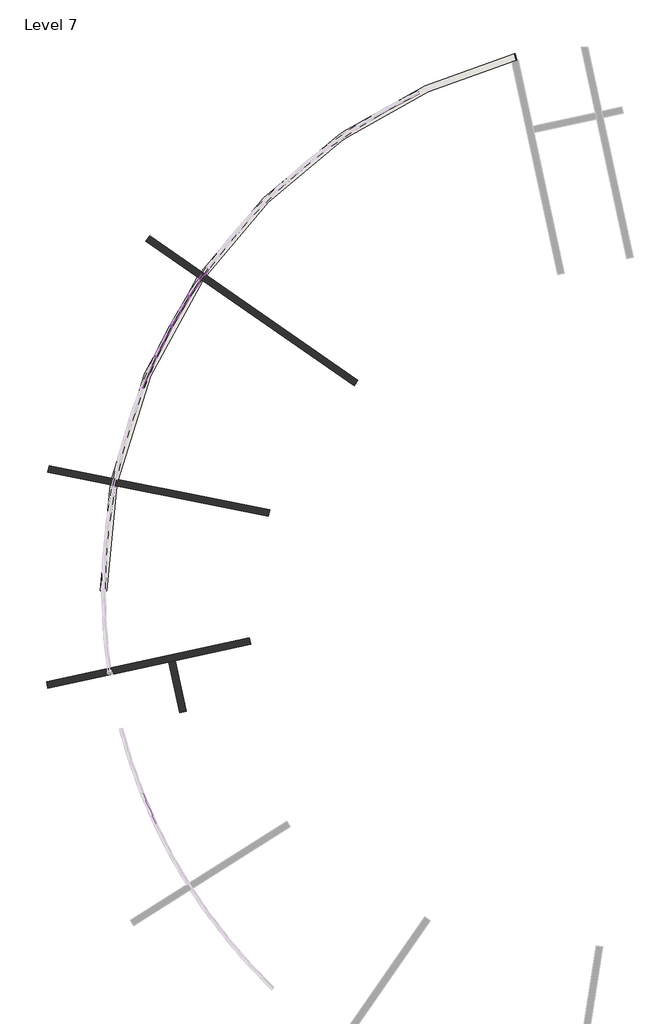
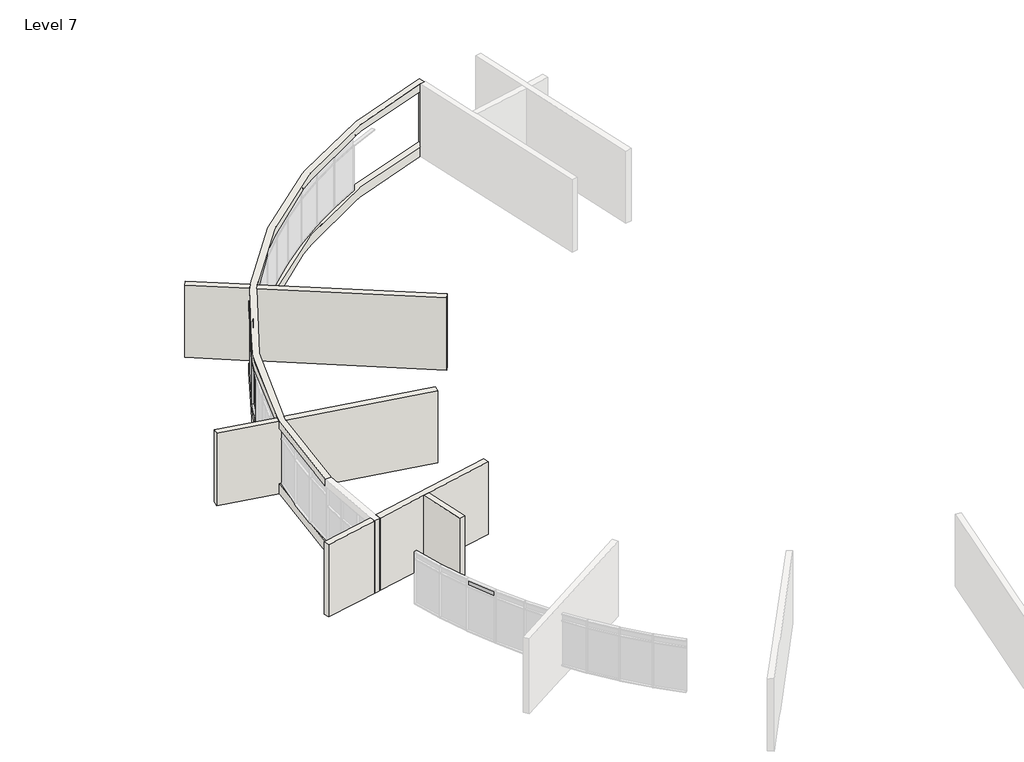
# One storey, part 4 of 10: 15 members, 9 plates, 5 walls.
"""IFC4 building model written with IfcOpenShell, lengths in millimetres."""

import ifcopenshell
import ifcopenshell.guid

model = None  # the IFC model being written
_history = None  # IfcOwnerHistory: only IFC2X3 demands one
_inside = {}  # id of a spatial element -> (the spatial element, [elements in it])
_under = {}  # id of a project, library or spatial element -> (it, [spatial elements below it])
_declared = {}  # id of a project -> (the project, [libraries it declares])
_typed = {}  # id of a type object -> (the type object, [elements of that type])
_made_of = {}  # id of a material, layer set ... -> (it, [elements and type objects made of it])


def new_model(schema):
    """Start an empty IFC model of exactly this schema.

    Asked for "IFC4X3", IfcOpenShell would pick the latest addendum, in which some entities
    have other attributes; the version numbers below select the first issue.
    IFC2X3 requires an IfcOwnerHistory on every rooted entity: one is made here for all.
    """
    global model, _history
    if schema == "IFC4X3":
        model = ifcopenshell.file(schema_version=(4, 3, 0, 0))
    else:
        model = ifcopenshell.file(schema=schema)
    _inside.clear()
    _under.clear()
    _declared.clear()
    _typed.clear()
    _made_of.clear()
    _history = None
    if model.schema == "IFC2X3":
        org = make("IfcOrganization", Name="unknown")
        user = make(
            "IfcPersonAndOrganization",
            ThePerson=make("IfcPerson", FamilyName="unknown"),
            TheOrganization=org,
        )
        app = make(
            "IfcApplication",
            ApplicationDeveloper=org,
            Version="unknown",
            ApplicationFullName="unknown",
            ApplicationIdentifier="unknown",
        )
        _history = make(
            "IfcOwnerHistory",
            OwningUser=user,
            OwningApplication=app,
            ChangeAction="ADDED",
            CreationDate=0,
        )
    return model


def make(cls, **values):
    """One entity of the class cls with the attributes given. An attribute that is None is left unset."""
    return model.create_entity(
        cls, **{name: value for name, value in values.items() if value is not None}
    )


def rooted(cls, **values):
    """An entity with a GlobalId (a new one), such as an element, a storey or a relation."""
    return make(cls, GlobalId=ifcopenshell.guid.new(), OwnerHistory=_history, **values)


def si_unit(unit_type, name, prefix=None):
    """IfcSIUnit, for example si_unit("LENGTHUNIT", "METRE", prefix="MILLI")."""
    return make("IfcSIUnit", UnitType=unit_type, Prefix=prefix, Name=name)


def assignment(units):
    """IfcUnitAssignment: the units of a project."""
    return None if units is None else make("IfcUnitAssignment", Units=units)


def point(xyz):
    """IfcCartesianPoint."""
    return None if xyz is None else make("IfcCartesianPoint", Coordinates=xyz)


def direction(xyz):
    """IfcDirection."""
    return None if xyz is None else make("IfcDirection", DirectionRatios=xyz)


def frame(location, z_axis=None, x_axis=None):
    """IfcAxis2Placement3D, a coordinate frame: its origin and axes. An axis left out is left unset."""
    return make(
        "IfcAxis2Placement3D",
        Location=point(location),
        Axis=direction(z_axis),
        RefDirection=direction(x_axis),
    )


def origin():
    """The frame at (0, 0, 0) with its axes left unset."""
    return frame((0.0, 0.0, 0.0))


def origin_with_axes():
    """The frame at (0, 0, 0) with the z axis (0, 0, 1) and the x axis (1, 0, 0) written out."""
    return frame((0.0, 0.0, 0.0), z_axis=(0.0, 0.0, 1.0), x_axis=(1.0, 0.0, 0.0))


def place(relative_to, where):
    """IfcLocalPlacement: puts the frame where relative to a parent placement (None: the world)."""
    return make(
        "IfcLocalPlacement", PlacementRelTo=relative_to, RelativePlacement=where
    )


def context(
    kind, dimensions, precision=None, world=None, true_north=None, identifier=None
):
    """IfcGeometricRepresentationContext, for example the 3D "Model" context."""
    return make(
        "IfcGeometricRepresentationContext",
        ContextIdentifier=identifier,
        ContextType=kind,
        CoordinateSpaceDimension=dimensions,
        Precision=precision,
        WorldCoordinateSystem=world,
        TrueNorth=true_north,
    )


def project(units=None, contexts=None):
    """IfcProject with its units and contexts."""
    return rooted(
        "IfcProject",
        Name="project",
        RepresentationContexts=contexts,
        UnitsInContext=assignment(units),
    )


def spatial(cls, under=None, at=None, **own):
    """A site, building, storey or space (cls), placed at a placement, below another one or the project."""
    s = rooted(cls, ObjectPlacement=at, **own)
    if under is not None:
        _under.setdefault(under.id(), (under, []))[1].append(s)
    return s


def polyline(points):
    """IfcPolyline through the points."""
    return make("IfcPolyline", Points=[point(p) for p in points])


def circle_curve(where, radius):
    """IfcCircle in the frame where."""
    return make("IfcCircle", Position=where, Radius=radius)


def outline(outer, holes=None, kind="AREA"):
    """IfcArbitraryClosedProfileDef: a profile drawn as a closed curve; with holes, ...WithVoids."""
    if holes is None:
        return make("IfcArbitraryClosedProfileDef", ProfileType=kind, OuterCurve=outer)
    return make(
        "IfcArbitraryProfileDefWithVoids",
        ProfileType=kind,
        OuterCurve=outer,
        InnerCurves=holes,
    )


def extrude(swept, where, along, depth):
    """IfcExtrudedAreaSolid: the profile swept, set in the frame where, extruded along a direction by depth."""
    return make(
        "IfcExtrudedAreaSolid",
        SweptArea=swept,
        Position=where,
        ExtrudedDirection=direction(along),
        Depth=depth,
    )


def shape(context_of_items, identifier, shape_type, items):
    """IfcShapeRepresentation: the items that make up one representation, for example the "Body"."""
    return make(
        "IfcShapeRepresentation",
        ContextOfItems=context_of_items,
        RepresentationIdentifier=identifier,
        RepresentationType=shape_type,
        Items=items,
    )


def source(mapping_origin, context_of_items, identifier, shape_type, items):
    """IfcRepresentationMap: a shape defined once, which mapped items show again and again."""
    return make(
        "IfcRepresentationMap",
        MappingOrigin=mapping_origin,
        MappedRepresentation=shape(context_of_items, identifier, shape_type, items),
    )


def transform(
    local_origin,
    x_axis=None,
    y_axis=None,
    z_axis=None,
    scale=None,
    scale2=None,
    scale3=None,
    uniform=True,
):
    """IfcCartesianTransformationOperator3D, or its non-uniform kind. x_axis, y_axis, z_axis: its Axis1, 2, 3."""
    if uniform:
        return make(
            "IfcCartesianTransformationOperator3D",
            Axis1=direction(x_axis),
            Axis2=direction(y_axis),
            LocalOrigin=point(local_origin),
            Scale=scale,
            Axis3=direction(z_axis),
        )
    return make(
        "IfcCartesianTransformationOperator3DnonUniform",
        Axis1=direction(x_axis),
        Axis2=direction(y_axis),
        LocalOrigin=point(local_origin),
        Scale=scale,
        Axis3=direction(z_axis),
        Scale2=scale2,
        Scale3=scale3,
    )


def mapped(mapping_source, mapping_target):
    """IfcMappedItem: shows the shape of a source again, moved by a transform."""
    return make(
        "IfcMappedItem", MappingSource=mapping_source, MappingTarget=mapping_target
    )


def made_of(thing, what):
    """Note that an element or type object is made of a material, layer set ...; save() writes the relation."""
    if what is not None:
        _made_of.setdefault(what.id(), (what, []))[1].append(thing)
    return thing


def element(
    cls,
    number,
    at=None,
    inside=None,
    cuts=None,
    type_object=None,
    material=None,
    context=None,
    identifier="Body",
    shape_type=None,
    held_by="IfcProductDefinitionShape",
    body=None,
    shapes=None,
    **own,
):
    """One element of the class cls, such as IfcWall. Its Tag is "e" and its number.

    at: its placement. inside: the storey or other place that contains it. cuts: it is an
    opening in that element (IfcRelVoidsElement). A single representation is given by context,
    identifier, shape_type and body (its items); several are given by shapes. held_by: the class
    of the entity that holds the representations. save() writes the other relations.
    """
    e = rooted(cls, Tag="e%d" % number, ObjectPlacement=at, **own)
    if body is not None:
        shapes = [shape(context, identifier, shape_type, body)]
    if shapes is not None:
        e.Representation = make(held_by, Representations=shapes)
    if inside is not None:
        _inside.setdefault(inside.id(), (inside, []))[1].append(e)
    if cuts is not None:
        rooted(
            "IfcRelVoidsElement", RelatingBuildingElement=cuts, RelatedOpeningElement=e
        )
    if type_object is not None:
        _typed.setdefault(type_object.id(), (type_object, []))[1].append(e)
    return made_of(e, material)


def aggregate(whole, parts):
    """IfcRelAggregates: a whole, such as a stair, and the parts it consists of."""
    return rooted("IfcRelAggregates", RelatingObject=whole, RelatedObjects=parts)


def save(model, path):
    """Write the relations noted so far, then the file.

    IfcRelAggregates (storeys below a building ...), IfcRelContainedInSpatialStructure (elements
    in a storey), IfcRelDefinesByType, IfcRelAssociatesMaterial and IfcRelDeclares: one each for
    every whole, place, type object, material and project.
    """
    for whole, parts in _under.values():
        aggregate(whole, parts)
    for where, things in _inside.values():
        rooted(
            "IfcRelContainedInSpatialStructure",
            RelatedElements=things,
            RelatingStructure=where,
        )
    for kind, things in _typed.values():
        rooted("IfcRelDefinesByType", RelatedObjects=things, RelatingType=kind)
    for what, things in _made_of.values():
        rooted("IfcRelAssociatesMaterial", RelatedObjects=things, RelatingMaterial=what)
    for by, libraries in _declared.values():
        rooted("IfcRelDeclares", RelatingContext=by, RelatedDefinitions=libraries)
    model.write(path)


def plane_surface(at):
    """IfcPlane: the flat surface through the origin of the frame at, square to its z axis."""
    return make("IfcPlane", Position=at)


def cylinder_surface(at, radius):
    """IfcCylindricalSurface: all points at the distance radius from the z axis of the frame at."""
    return make("IfcCylindricalSurface", Position=at, Radius=radius)


def revolved_surface(curve, axis_point, axis_direction):
    """IfcSurfaceOfRevolution: the curve turned about the line through axis_point along axis_direction."""
    return make(
        "IfcSurfaceOfRevolution",
        SweptCurve=make("IfcArbitraryOpenProfileDef", ProfileType="CURVE", Curve=curve),
        AxisPosition=make("IfcAxis1Placement", Location=point(axis_point), Axis=direction(axis_direction)),
    )


def advanced_brep(points, edges, surfaces, faces):
    """IfcAdvancedBrep: a solid bounded by faces that lie on surfaces and meet in shared edges.

    An edge is (start, end): straight between two places in points (the first is 0);
    or (start, end, curve); or (start, end, curve, False) where it runs against its curve.
    A face is (place in surfaces, loops), or (place, loops, False) where it looks against
    its surface's normal. A loop lists edges by number (the first is 1), with a minus sign
    where the edge is run from its end to its start. The first loop is the outer one.
    """
    corners = [point(p) for p in points]
    vertices = [make("IfcVertexPoint", VertexGeometry=c) for c in corners]
    made = []
    for start, end, *more in edges:
        made.append(
            make(
                "IfcEdgeCurve",
                EdgeStart=vertices[start],
                EdgeEnd=vertices[end],
                EdgeGeometry=more[0] if more else make("IfcPolyline", Points=[corners[start], corners[end]]),
                SameSense=more[1] if len(more) > 1 else True,
            )
        )
    hull = []
    for where, loops, *sense in faces:
        bounds = []
        for j, loop in enumerate(loops):
            ring = [make("IfcOrientedEdge", EdgeElement=made[abs(k) - 1], Orientation=k > 0) for k in loop]
            bounds.append(
                make(
                    "IfcFaceOuterBound" if j == 0 else "IfcFaceBound",
                    Bound=make("IfcEdgeLoop", EdgeList=ring),
                    Orientation=True,
                )
            )
        hull.append(make("IfcAdvancedFace", Bounds=bounds, FaceSurface=surfaces[where], SameSense=sense[0] if sense else True))
    return make("IfcAdvancedBrep", Outer=make("IfcClosedShell", CfsFaces=hull))


def rectangular_mullion_50_x_150mm_6225e4e3(model_context):
    return source(origin(), model_context, "Body", "SweptSolid", [
        extrude(outline(polyline([(25.0, 75.0), (25.0, -75.0), (-25.0, -75.0), (-25.0, 75.0), (25.0, 75.0)])), frame((0.0, 0.0, -2400.0), z_axis=(0.0, 0.0, 1.0), x_axis=(1.0, 0.0, 0.0)), (0.0, 0.0, 1.0), 2400.0),
    ])


def rectangular_mullion_50_x_150mm_220dcb47(model_context):
    return source(origin(), model_context, "Body", "SweptSolid", [
        extrude(outline(polyline([(0.0, 75.0), (0.0, -75.0), (-50.0, -75.0), (-50.0, 75.0), (0.0, 75.0)])), frame((0.0, 0.0, -1514.02512), z_axis=(0.0, 0.0, 1.0), x_axis=(1.0, 0.0, 0.0)), (0.0, 0.0, 1.0), 1514.02512),
    ])


def rectangular_mullion_50_x_150mm_09008a6a(model_context):
    return source(origin(), model_context, "Body", "SweptSolid", [
        extrude(outline(polyline([(25.0, 75.0), (25.0, -75.0), (-25.0, -75.0), (-25.0, 75.0), (25.0, 75.0)])), frame((0.0, 0.0, -1514.02512), z_axis=(0.0, 0.0, 1.0), x_axis=(1.0, 0.0, 0.0)), (0.0, 0.0, 1.0), 1514.02512),
    ])


def rectangular_mullion_50_x_150mm_705091fc(model_context):
    return source(origin(), model_context, "Body", "SweptSolid", [
        extrude(outline(polyline([(25.0, 75.0), (25.0, -75.0), (-25.0, -75.0), (-25.0, 75.0), (25.0, 75.0)])), frame((0.0, 0.0, -550.0548808), z_axis=(0.0, 0.0, 1.0), x_axis=(1.0, 0.0, 0.0)), (0.0, 0.0, 1.0), 550.0548808),
    ])


def system_panel_glazed_2c05ca34(model_context):
    return source(origin(), model_context, "Body", "SweptSolid", [
        extrude(outline(polyline([(757.01256, 24.5), (-757.01256, 24.5), (-757.01256, 49.5), (757.01256, 49.5), (757.01256, 24.5)])), origin_with_axes(), (0.0, 0.0, 1.0), 2325.0),
    ])


def system_panel_glazed_a4027662(model_context):
    return source(origin(), model_context, "Body", "SweptSolid", [
        extrude(outline(polyline([(743.319283, 24.5), (-743.319283, 24.5), (-743.319283, 49.5), (743.319283, 49.5), (743.319283, 24.5)])), origin_with_axes(), (0.0, 0.0, 1.0), 302.1504642),
    ])


def system_panel_glazed_fd295b00(model_context):
    return source(origin(), model_context, "Body", "SweptSolid", [
        extrude(outline(polyline([(757.01256, 24.5), (-757.01256, 24.5), (-757.01256, 49.5), (757.01256, 49.5), (757.01256, 24.5)])), origin_with_axes(), (0.0, 0.0, 1.0), 475.0548808),
    ])


model = new_model("IFC4")

# Units and contexts
model_context = context("Model", 3, world=origin())
ifc_project = project(units=[si_unit("LENGTHUNIT", "METRE", prefix="MILLI")], contexts=[model_context])

# Site, building, storey
site = spatial("IfcSite", under=ifc_project)
building = spatial("IfcBuilding", under=site)
storey = spatial("IfcBuildingStorey", under=building, Name="Level 7", Elevation=22600.0)

# Members
placement = place(None, origin())
rectangular_mullion_50_x_150mm_shape = rectangular_mullion_50_x_150mm_6225e4e3(model_context)
element("IfcMember", 1, ObjectType="Rectangular Mullion : 50 x 150mm", at=placement, inside=storey, context=model_context, shape_type="MappedRepresentation", body=[
    mapped(rectangular_mullion_50_x_150mm_shape, transform((-29933.7664287, -40677.1635323, 23112.0945928), x_axis=(-0.5338447209742472, -0.8455825293180603, 0.0), y_axis=(-0.8455825293180603, 0.5338447209742472, 0.0), z_axis=(0.0, 0.0, -1.0))),
])
element("IfcMember", 2, ObjectType="Rectangular Mullion : 50 x 150mm", at=placement, inside=storey, context=model_context, shape_type="MappedRepresentation", body=[
    mapped(rectangular_mullion_50_x_150mm_shape, transform((-30726.9355478, -42025.1462192, 23112.0945928), x_axis=(-0.47992541349525303, -0.8773092940812894, 0.0), y_axis=(-0.8773092940812894, 0.47992541349525303, 0.0), z_axis=(0.0, 0.0, -1.0))),
])
element("IfcMember", 3, ObjectType="Rectangular Mullion : 50 x 150mm", at=placement, inside=storey, context=model_context, shape_type="MappedRepresentation", body=[
    mapped(rectangular_mullion_50_x_150mm_shape, transform((-31434.2625992, -43420.08816, 23112.0945928), x_axis=(-0.4241277358645881, -0.9056023761399803, 0.0), y_axis=(-0.9056023761399803, 0.4241277358645881, 0.0), z_axis=(0.0, 0.0, -1.0))),
])
rectangular_mullion_50_x_150mm_2_shape = rectangular_mullion_50_x_150mm_220dcb47(model_context)
element("IfcMember", 4, ObjectType="Rectangular Mullion : 50 x 150mm", at=placement, inside=storey, context=model_context, shape_type="MappedRepresentation", body=[
    mapped(rectangular_mullion_50_x_150mm_2_shape, transform((-29946.4447596, -40698.710224, 23112.0945928), x_axis=(0.0, 0.0, -1.0), y_axis=(-0.8618676706512631, 0.5071332352411602, 0.0), z_axis=(0.50713323524116, 0.861867670651263, 0.0))),
])
element("IfcMember", 5, ObjectType="Rectangular Mullion : 50 x 150mm", at=placement, inside=storey, context=model_context, shape_type="MappedRepresentation", body=[
    mapped(rectangular_mullion_50_x_150mm_2_shape, transform((-30738.2417449, -42047.4435264, 23112.0945928), x_axis=(0.0, 0.0, -1.0), y_axis=(-0.8918922867476959, 0.45224788428467616, 0.0), z_axis=(0.45224788428467616, 0.8918922867476959, 0.0))),
])
element("IfcMember", 6, ObjectType="Rectangular Mullion : 50 x 150mm", at=placement, inside=storey, context=model_context, shape_type="MappedRepresentation", body=[
    mapped(rectangular_mullion_50_x_150mm_2_shape, transform((-31444.1524115, -43443.0488136, 23112.0945928), x_axis=(0.0, 0.0, -1.0), y_axis=(-0.9184261440661564, 0.395592489685752, 0.0), z_axis=(0.39559248968575195, 0.9184261440661563, 0.0))),
])
element("IfcMember", 7, ObjectType="Rectangular Mullion : 50 x 150mm", at=placement, inside=storey, context=model_context, shape_type="MappedRepresentation", body=[
    mapped(rectangular_mullion_50_x_150mm_2_shape, transform((-29919.7655855, -40656.4517871, 26062.1494736), x_axis=(0.0, 0.0, 1.0), y_axis=(-0.8284698085009187, 0.5600337279150706, 0.0), z_axis=(-0.5600337279150706, -0.8284698085009187, 0.0))),
])
element("IfcMember", 8, ObjectType="Rectangular Mullion : 50 x 150mm", at=placement, inside=storey, context=model_context, shape_type="MappedRepresentation", body=[
    mapped(rectangular_mullion_50_x_150mm_2_shape, transform((-30714.2572169, -42003.5995275, 26062.1494736), x_axis=(0.0, 0.0, 1.0), y_axis=(-0.8618676706512631, 0.5071332352411602, 0.0), z_axis=(-0.50713323524116, -0.861867670651263, 0.0))),
])
element("IfcMember", 9, ObjectType="Rectangular Mullion : 50 x 150mm", at=placement, inside=storey, context=model_context, shape_type="MappedRepresentation", body=[
    mapped(rectangular_mullion_50_x_150mm_2_shape, transform((-31422.9564021, -43397.7908528, 26062.1494736), x_axis=(0.0, 0.0, 1.0), y_axis=(-0.8918922867476959, 0.45224788428467616, 0.0), z_axis=(-0.45224788428467616, -0.8918922867476959, 0.0))),
])
rectangular_mullion_50_x_150mm_3_shape = rectangular_mullion_50_x_150mm_09008a6a(model_context)
element("IfcMember", 10, ObjectType="Rectangular Mullion : 50 x 150mm", at=placement, inside=storey, context=model_context, shape_type="MappedRepresentation", body=[
    mapped(rectangular_mullion_50_x_150mm_3_shape, transform((-29919.7655855, -40656.4517871, 25512.0945928), x_axis=(0.0, 0.0, 1.0), y_axis=(-0.828469808500919, 0.5600337279150699, 0.0), z_axis=(-0.5600337279150699, -0.828469808500919, 0.0))),
])
element("IfcMember", 11, ObjectType="Rectangular Mullion : 50 x 150mm", at=placement, inside=storey, context=model_context, shape_type="MappedRepresentation", body=[
    mapped(rectangular_mullion_50_x_150mm_3_shape, transform((-30714.2572169, -42003.5995275, 25512.0945928), x_axis=(0.0, 0.0, 1.0), y_axis=(-0.8618676706512631, 0.5071332352411602, 0.0), z_axis=(-0.50713323524116, -0.861867670651263, 0.0))),
])
element("IfcMember", 12, ObjectType="Rectangular Mullion : 50 x 150mm", at=placement, inside=storey, context=model_context, shape_type="MappedRepresentation", body=[
    mapped(rectangular_mullion_50_x_150mm_3_shape, transform((-31422.9564021, -43397.7908528, 25512.0945928), x_axis=(0.0, 0.0, 1.0), y_axis=(-0.8918922867476959, 0.45224788428467616, 0.0), z_axis=(-0.45224788428467616, -0.8918922867476959, 0.0))),
])
rectangular_mullion_50_x_150mm_4_shape = rectangular_mullion_50_x_150mm_705091fc(model_context)
element("IfcMember", 13, ObjectType="Rectangular Mullion : 50 x 150mm", at=placement, inside=storey, context=model_context, shape_type="MappedRepresentation", body=[
    mapped(rectangular_mullion_50_x_150mm_4_shape, transform((-29933.7664287, -40677.1635323, 25512.0945928), x_axis=(-0.5338447209742472, -0.8455825293180603, 0.0), y_axis=(-0.8455825293180603, 0.5338447209742472, 0.0), z_axis=(0.0, 0.0, -1.0))),
])
element("IfcMember", 14, ObjectType="Rectangular Mullion : 50 x 150mm", at=placement, inside=storey, context=model_context, shape_type="MappedRepresentation", body=[
    mapped(rectangular_mullion_50_x_150mm_4_shape, transform((-30726.9355478, -42025.1462192, 25512.0945928), x_axis=(-0.47992541349525303, -0.8773092940812894, 0.0), y_axis=(-0.8773092940812894, 0.47992541349525303, 0.0), z_axis=(0.0, 0.0, -1.0))),
])
element("IfcMember", 15, ObjectType="Rectangular Mullion : 50 x 150mm", at=placement, inside=storey, context=model_context, shape_type="MappedRepresentation", body=[
    mapped(rectangular_mullion_50_x_150mm_4_shape, transform((-31434.2625992, -43420.08816, 25512.0945928), x_axis=(-0.42412773586458846, -0.9056023761399801, 0.0), y_axis=(-0.9056023761399801, 0.42412773586458846, 0.0), z_axis=(0.0, 0.0, -1.0))),
])

# Plates
system_panel_glazed_shape = system_panel_glazed_2c05ca34(model_context)
element("IfcPlate", 16, ObjectType="System Panel : Glazed", at=placement, inside=storey, context=model_context, shape_type="MappedRepresentation", body=[
    mapped(system_panel_glazed_shape, transform((-29495.8130194, -40029.2897365, 23162.0945928), x_axis=(-0.5600337279150699, -0.828469808500919, 0.0), y_axis=(0.828469808500919, -0.5600337279150699, 0.0), z_axis=(0.0, 0.0, 1.0))),
])
element("IfcPlate", 17, ObjectType="System Panel : Glazed", at=placement, inside=storey, context=model_context, shape_type="MappedRepresentation", body=[
    mapped(system_panel_glazed_shape, transform((-30330.3509882, -41351.1548758, 23162.0945928), x_axis=(-0.5071332352411606, -0.8618676706512629, 0.0), y_axis=(0.8618676706512629, -0.5071332352411606, 0.0), z_axis=(0.0, 0.0, 1.0))),
])
element("IfcPlate", 18, ObjectType="System Panel : Glazed", at=placement, inside=storey, context=model_context, shape_type="MappedRepresentation", body=[
    mapped(system_panel_glazed_shape, transform((-31080.5990735, -42722.6171896, 23162.0945928), x_axis=(-0.45224788428467605, -0.8918922867476959, 0.0), y_axis=(0.8918922867476959, -0.45224788428467605, 0.0), z_axis=(0.0, 0.0, 1.0))),
])
element("IfcPlate", 19, ObjectType="System Panel : Glazed", at=placement, inside=storey, context=model_context, shape_type="MappedRepresentation", body=[
    mapped(system_panel_glazed_shape, transform((-31743.6208948, -44138.3089401, 23162.0945928), x_axis=(-0.3955924896857523, -0.9184261440661563, 0.0), y_axis=(0.9184261440661563, -0.3955924896857523, 0.0), z_axis=(0.0, 0.0, 1.0))),
])
system_panel_glazed_2_shape = system_panel_glazed_a4027662(model_context)
element("IfcPlate", 20, ObjectType="System Panel : Glazed", at=placement, inside=storey, context=model_context, shape_type="MappedRepresentation", body=[
    mapped(system_panel_glazed_2_shape, transform((-31751.5923269, -63890.8025097, 25709.9990095), x_axis=(0.39488736837669913, -0.9187295392532697, 0.0), y_axis=(0.9187295392532697, 0.39488736837669913, 0.0), z_axis=(0.0, 0.0, 1.0))),
])
system_panel_glazed_3_shape = system_panel_glazed_fd295b00(model_context)
element("IfcPlate", 21, ObjectType="System Panel : Glazed", at=placement, inside=storey, context=model_context, shape_type="MappedRepresentation", body=[
    mapped(system_panel_glazed_3_shape, transform((-29495.8130194, -40029.2897365, 25537.0945928), x_axis=(-0.5600337279150698, -0.8284698085009191, 0.0), y_axis=(0.8284698085009191, -0.5600337279150698, 0.0), z_axis=(0.0, 0.0, 1.0))),
])
element("IfcPlate", 22, ObjectType="System Panel : Glazed", at=placement, inside=storey, context=model_context, shape_type="MappedRepresentation", body=[
    mapped(system_panel_glazed_3_shape, transform((-30330.3509882, -41351.1548758, 25537.0945928), x_axis=(-0.5071332352411606, -0.8618676706512629, 0.0), y_axis=(0.8618676706512629, -0.5071332352411606, 0.0), z_axis=(0.0, 0.0, 1.0))),
])
element("IfcPlate", 23, ObjectType="System Panel : Glazed", at=placement, inside=storey, context=model_context, shape_type="MappedRepresentation", body=[
    mapped(system_panel_glazed_3_shape, transform((-31080.5990735, -42722.6171896, 25537.0945928), x_axis=(-0.4522478842846761, -0.8918922867476959, 0.0), y_axis=(0.8918922867476959, -0.4522478842846761, 0.0), z_axis=(0.0, 0.0, 1.0))),
])
element("IfcPlate", 24, ObjectType="System Panel : Glazed", at=placement, inside=storey, context=model_context, shape_type="MappedRepresentation", body=[
    mapped(system_panel_glazed_3_shape, transform((-31743.6208948, -44138.3089401, 25537.0945928), x_axis=(-0.3955924896857523, -0.9184261440661562, 0.0), y_axis=(0.9184261440661562, -0.3955924896857523, 0.0), z_axis=(0.0, 0.0, 1.0))),
])

# Walls
element("IfcWall", 25, ObjectType="Generic - 300mm", at=placement, inside=storey, context=model_context, shape_type="AdvancedBrep", body=[
    advanced_brep(
    [(-27187.6037945, -56154.9020923, 22600.0), (-36376.2877428, -58136.8423787, 22600.0), (-36376.2877428, -58136.8423787, 26450.0), (-33694.5130782, -57558.4007568, 26450.0), (-33694.5130782, -57558.4007568, 26062.1494736), (-33400.4988088, -57494.9837616, 26062.1494736), (-33400.4988088, -57494.9837616, 26450.0), (-27187.6037945, -56154.9020923, 26450.0), (-36313.0343294, -58430.0982494, 26450.0), (-36313.0343294, -58430.0982494, 22600.0), (-33381.0043602, -57797.6781608, 22600.0), (-33381.0043602, -57797.6781608, 26450.0), (-27124.3503811, -56448.157963, 22600.0), (-27124.3503811, -56448.157963, 26450.0), (-30548.3215629, -57186.686621, 26450.0), (-30841.5774335, -57249.9400344, 26450.0), (-33356.6946116, -57792.4347037, 26450.0), (-33356.6946116, -57792.4347037, 22600.0), (-30841.5774335, -57249.9400344, 22600.0), (-30548.3215629, -57186.686621, 22600.0), (-33377.5995606, -57653.5877653, 22600.0), (-33674.3810056, -57697.4143996, 22600.0), (-33652.9942845, -57839.4321832, 22600.0), (-33377.5995606, -57653.5877653, 26062.1494736), (-33652.9942845, -57839.4321832, 26450.0), (-33674.3810056, -57697.4143996, 26062.1494736)],
    [
        (0, 1),
        (1, 2),
        (2, 3),
        (3, 4),
        (4, 5),
        (5, 6),
        (6, 7),
        (7, 0),
        (8, 9),
        (9, 10),
        (10, 11),
        (11, 8),
        (12, 13),
        (13, 14),
        (14, 15),
        (15, 16),
        (16, 17),
        (17, 18),
        (18, 19),
        (19, 12),
        (0, 12),
        (17, 20, circle_curve(frame((-8794.2031957, -54023.2815566, 22600.0), z_axis=(0.0, 0.0, -1.0), x_axis=(1.0, 0.0, 0.0)), 24850.0)),
        (20, 21),
        (21, 22, circle_curve(frame((-8794.2031957, -54023.2815566, 22600.0), z_axis=(0.0, 0.0, 1.0), x_axis=(1.0, 0.0, 0.0)), 25150.0)),
        (22, 10),
        (9, 1),
        (8, 2),
        (7, 13),
        (23, 20),
        (16, 6, circle_curve(frame((-8794.2031957, -54023.2815566, 26450.0), z_axis=(0.0, 0.0, -1.0), x_axis=(1.0, 0.0, 0.0)), 24850.0)),
        (5, 23, circle_curve(frame((-8794.2031957, -54023.2815566, 26062.1494736), z_axis=(0.0, 0.0, 1.0), x_axis=(1.0, 0.0, 0.0)), 24850.0)),
        (24, 22),
        (21, 25),
        (25, 4, circle_curve(frame((-8794.2031957, -54023.2815566, 26062.1494736), z_axis=(0.0, 0.0, -1.0), x_axis=(1.0, 0.0, 0.0)), 25150.0)),
        (3, 24, circle_curve(frame((-8794.2031957, -54023.2815566, 26450.0), z_axis=(0.0, 0.0, 1.0), x_axis=(1.0, 0.0, 0.0)), 25150.0)),
        (25, 23),
        (24, 11),
    ],
    [
        plane_surface(frame((-9125.1014897, -52258.9360114, 22600.0), z_axis=(-0.21084471131924887, 0.9775195689645823, 0.0), x_axis=(-0.9775195689645823, -0.21084471131924887, 0.0))),
        plane_surface(frame((-9061.8480763, -52552.1918821, 22600.0), z_axis=(0.21084471131924887, -0.9775195689645823, 0.0), x_axis=(0.9775195689645823, 0.21084471131924887, 0.0))),
        plane_surface(frame((-27187.6037945, -56154.9020923, 22600.0), z_axis=(0.0, 0.0, -1.0), x_axis=(0.2108447113192472, -0.9775195689645826, 0.0))),
        plane_surface(frame((-36376.2877428, -58136.8423787, 22600.0), z_axis=(-0.9775195689645796, -0.210844711319261, 0.0), x_axis=(0.210844711319261, -0.9775195689645796, 0.0))),
        plane_surface(frame((-27187.6037945, -56154.9020923, 26450.0), z_axis=(0.9775195689645826, 0.2108447113192472, 0.0), x_axis=(0.2108447113192472, -0.9775195689645826, 0.0))),
        cylinder_surface(frame((-8794.2031957, -54023.2815566, 22600.0), z_axis=(0.0, 0.0, -1.0), x_axis=(1.0, 0.0, 0.0)), 24850.0),
        revolved_surface(polyline([(16355.7968043, -54023.2815566, 26450.0), (16355.7968043, -54023.2815566, 22600.0)]), (-8794.2031957, -54023.2815566, 22600.0), (0.0, 0.0, 1.0)),
        plane_surface(frame((-33425.4719693, -55832.1608676, 26062.1494736), z_axis=(0.0, 0.0, 1.0), x_axis=(0.07324109674620682, -0.9973142642855425, 0.0))),
        plane_surface(frame((-33226.8345865, -57631.3238351, 24331.0747368), z_axis=(0.14608878103356598, -0.9892714834948629, 0.0), x_axis=(0.0, 0.0, -1.0))),
        plane_surface(frame((-33652.9942845, -57839.4321832, 26450.0), z_axis=(-0.15173561139398214, 0.9884211168499459, 0.0), x_axis=(0.0, 0.0, -1.0))),
        plane_surface(frame((19283.6901154, -54023.2815566, 26450.0), z_axis=(0.0, 0.0, 1.0), x_axis=(0.0, -1.0, 0.0))),
    ],
    [
        (0, [[1, 2, 3, 4, 5, 6, 7, 8]]),
        (1, [[9, 10, 11, 12]]),
        (1, [[13, 14, 15, 16, 17, 18, 19, 20]]),
        (2, [[-1, 21, -20, -19, -18, 22, 23, 24, 25, -10, 26]]),
        (3, [[-2, -26, -9, 27]]),
        (4, [[-8, 28, -13, -21]]),
        (5, [[29, -22, -17, 30, -6, 31]]),
        (6, [[32, -24, 33, 34, -4, 35]]),
        (7, [[36, -31, -5, -34]]),
        (8, [[-29, -36, -33, -23]]),
        (9, [[-32, 37, -11, -25]]),
        (10, [[-27, -12, -37, -35, -3]]),
        (10, [[-28, -7, -30, -16, -15, -14]]),
    ],
),
])
element("IfcWall", 26, ObjectType="Generic - 300mm", at=placement, inside=storey, context=model_context, shape_type="AdvancedBrep", body=[
    advanced_brep(
    [(-36256.6416577, -48352.0690546, 22600.0), (-36256.6416577, -48352.0690546, 26450.0), (-33421.3667142, -48921.7801074, 26450.0), (-33421.3667142, -48921.7801074, 26062.1494736), (-33127.2403229, -48980.880921, 26062.1494736), (-33127.2403229, -48980.880921, 26450.0), (-26268.9754932, -50358.9586575, 26450.0), (-26268.9754932, -50358.9586575, 22600.0), (-33127.2403229, -48980.880921, 22600.0), (-33127.2403229, -48980.880921, 23112.0945928), (-33421.3667142, -48921.7801074, 23112.0945928), (-33421.3667142, -48921.7801074, 22600.0), (-36315.7414074, -48646.1901514, 26450.0), (-36315.7414074, -48646.1901514, 22600.0), (-33480.4664639, -49215.9012042, 22600.0), (-33480.4664639, -49215.9012042, 23112.0945928), (-33186.3400726, -49275.0020178, 23112.0945928), (-33186.3400726, -49275.0020178, 22600.0), (-26328.075243, -50653.0797542, 22600.0), (-26328.075243, -50653.0797542, 26450.0), (-33186.3400726, -49275.0020178, 26450.0), (-33186.3400726, -49275.0020178, 26062.1494736), (-33480.4664639, -49215.9012042, 26062.1494736), (-33480.4664639, -49215.9012042, 26450.0)],
    [
        (0, 1),
        (1, 2),
        (2, 3),
        (3, 4),
        (4, 5),
        (5, 6),
        (6, 7),
        (7, 8),
        (8, 9),
        (9, 10),
        (10, 11),
        (11, 0),
        (12, 13),
        (13, 14),
        (14, 15),
        (15, 16),
        (16, 17),
        (17, 18),
        (18, 19),
        (19, 20),
        (20, 21),
        (21, 22),
        (22, 23),
        (23, 12),
        (13, 0),
        (11, 14, circle_curve(frame((-8794.2031957, -54023.2815566, 22600.0), z_axis=(0.0, 0.0, 1.0), x_axis=(1.0, 0.0, 0.0)), 25150.0)),
        (7, 18),
        (17, 8, circle_curve(frame((-8794.2031957, -54023.2815566, 22600.0), z_axis=(0.0, 0.0, -1.0), x_axis=(1.0, 0.0, 0.0)), 24850.0)),
        (12, 1),
        (6, 19),
        (4, 21, circle_curve(frame((-8794.2031957, -54023.2815566, 26062.1494736), z_axis=(0.0, 0.0, 1.0), x_axis=(1.0, 0.0, 0.0)), 24850.0)),
        (20, 5, circle_curve(frame((-8794.2031957, -54023.2815566, 26450.0), z_axis=(0.0, 0.0, -1.0), x_axis=(1.0, 0.0, 0.0)), 24850.0)),
        (16, 9, circle_curve(frame((-8794.2031957, -54023.2815566, 23112.0945928), z_axis=(0.0, 0.0, -1.0), x_axis=(1.0, 0.0, 0.0)), 24850.0)),
        (22, 3, circle_curve(frame((-8794.2031957, -54023.2815566, 26062.1494736), z_axis=(0.0, 0.0, -1.0), x_axis=(1.0, 0.0, 0.0)), 25150.0)),
        (2, 23, circle_curve(frame((-8794.2031957, -54023.2815566, 26450.0), z_axis=(0.0, 0.0, 1.0), x_axis=(1.0, 0.0, 0.0)), 25150.0)),
        (10, 15, circle_curve(frame((-8794.2031957, -54023.2815566, 23112.0945928), z_axis=(0.0, 0.0, 1.0), x_axis=(1.0, 0.0, 0.0)), 25150.0)),
    ],
    [
        plane_surface(frame((-8764.6533208, -53876.2210082, 22600.0), z_axis=(0.19699916590496824, 0.9804036559666365, 0.0), x_axis=(-0.9804036559666365, 0.19699916590496824, 0.0))),
        plane_surface(frame((-8823.7530706, -54170.342105, 22600.0), z_axis=(-0.19699916590496824, -0.9804036559666365, 0.0), x_axis=(0.9804036559666365, -0.19699916590496824, 0.0))),
        plane_surface(frame((-26268.9754932, -50358.9586575, 22600.0), z_axis=(0.0, 0.0, -1.0), x_axis=(-0.1969991659049596, -0.9804036559666381, 0.0))),
        plane_surface(frame((-36256.6416577, -48352.0690546, 22600.0), z_axis=(-0.9804036559666354, 0.19699916590497352, 0.0), x_axis=(-0.19699916590497352, -0.9804036559666354, 0.0))),
        plane_surface(frame((-26268.9754932, -50358.9586575, 26450.0), z_axis=(0.9804036559666381, -0.1969991659049596, 0.0), x_axis=(-0.1969991659049596, -0.9804036559666381, 0.0))),
        cylinder_surface(frame((-8794.2031957, -54023.2815566, 22600.0), z_axis=(0.0, 0.0, -1.0), x_axis=(1.0, 0.0, 0.0)), 24850.0),
        revolved_surface(polyline([(16355.7968043, -54023.2815566, 26450.0), (16355.7968043, -54023.2815566, 26062.1494736)]), (-8794.2031957, -54023.2815566, 22600.0), (0.0, 0.0, 1.0)),
        revolved_surface(polyline([(16355.7968043, -54023.2815566, 23112.0945928), (16355.7968043, -54023.2815566, 22600.0)]), (-8794.2031957, -54023.2815566, 22600.0), (0.0, 0.0, 1.0)),
        plane_surface(frame((-28350.4893679, -38939.412129, 26062.1494736), z_axis=(0.0, 0.0, 1.0000000000000002), x_axis=(-0.6107423161620388, -0.7918294154987098, 0.0))),
        plane_surface(frame((19283.6901154, -54023.2815566, 26450.0), z_axis=(0.0, 0.0, 1.0), x_axis=(0.0, -1.0, 0.0))),
        plane_surface(frame((-28350.4893679, -38939.412129, 23112.0945928), z_axis=(0.0, 0.0, -1.0), x_axis=(0.6107423161620308, 0.7918294154987159, 0.0))),
    ],
    [
        (0, [[1, 2, 3, 4, 5, 6, 7, 8, 9, 10, 11, 12]]),
        (1, [[13, 14, 15, 16, 17, 18, 19, 20, 21, 22, 23, 24]]),
        (2, [[25, -12, 26, -14]]),
        (2, [[27, -18, 28, -8]]),
        (3, [[-1, -25, -13, 29]]),
        (4, [[-7, 30, -19, -27]]),
        (5, [[31, -21, 32, -5]]),
        (5, [[33, -9, -28, -17]]),
        (6, [[34, -3, 35, -23]]),
        (7, [[36, -15, -26, -11]]),
        (8, [[-31, -4, -34, -22]]),
        (9, [[-29, -24, -35, -2]]),
        (9, [[-30, -6, -32, -20]]),
        (10, [[-33, -16, -36, -10]]),
    ],
),
])
element("IfcWall", 27, ObjectType="Generic - 300mm", at=placement, inside=storey, context=model_context, shape_type="AdvancedBrep", body=[
    advanced_brep(
    [(-31708.9755683, -37931.802224, 22600.0), (-31708.9755683, -37931.802224, 26450.0), (-29367.5044637, -39557.3984195, 26450.0), (-29367.5044637, -39557.3984195, 26062.1494736), (-29121.0680636, -39728.4900352, 26062.1494736), (-29121.0680636, -39728.4900352, 26450.0), (-22272.8492346, -44482.9533521, 26450.0), (-22272.8492346, -44482.9533521, 22600.0), (-29121.0680636, -39728.4900352, 22600.0), (-29121.0680636, -39728.4900352, 23112.0945928), (-29367.5044637, -39557.3984195, 23112.0945928), (-29367.5044637, -39557.3984195, 22600.0), (-31880.0641042, -38178.234188, 26450.0), (-31880.0641042, -38178.234188, 22600.0), (-29538.5929996, -39803.8303835, 22600.0), (-29538.5929996, -39803.8303835, 23112.0945928), (-29292.1565995, -39974.9219992, 23112.0945928), (-29292.1565995, -39974.9219992, 22600.0), (-22443.9377705, -44729.3853161, 22600.0), (-22443.9377705, -44729.3853161, 26450.0), (-29292.1565995, -39974.9219992, 26450.0), (-29292.1565995, -39974.9219992, 26062.1494736), (-29538.5929996, -39803.8303835, 26062.1494736), (-29538.5929996, -39803.8303835, 26450.0)],
    [
        (0, 1),
        (1, 2),
        (2, 3),
        (3, 4),
        (4, 5),
        (5, 6),
        (6, 7),
        (7, 8),
        (8, 9),
        (9, 10),
        (10, 11),
        (11, 0),
        (12, 13),
        (13, 14),
        (14, 15),
        (15, 16),
        (16, 17),
        (17, 18),
        (18, 19),
        (19, 20),
        (20, 21),
        (21, 22),
        (22, 23),
        (23, 12),
        (13, 0),
        (11, 14, circle_curve(frame((-8794.2031957, -54023.2815566, 22600.0), z_axis=(0.0, 0.0, 1.0), x_axis=(1.0, 0.0, 0.0)), 25150.0)),
        (7, 18),
        (17, 8, circle_curve(frame((-8794.2031957, -54023.2815566, 22600.0), z_axis=(0.0, 0.0, -1.0), x_axis=(1.0, 0.0, 0.0)), 24850.0)),
        (12, 1),
        (6, 19),
        (4, 21, circle_curve(frame((-8794.2031957, -54023.2815566, 26062.1494736), z_axis=(0.0, 0.0, 1.0), x_axis=(1.0, 0.0, 0.0)), 24850.0)),
        (20, 5, circle_curve(frame((-8794.2031957, -54023.2815566, 26450.0), z_axis=(0.0, 0.0, -1.0), x_axis=(1.0, 0.0, 0.0)), 24850.0)),
        (16, 9, circle_curve(frame((-8794.2031957, -54023.2815566, 23112.0945928), z_axis=(0.0, 0.0, -1.0), x_axis=(1.0, 0.0, 0.0)), 24850.0)),
        (22, 3, circle_curve(frame((-8794.2031957, -54023.2815566, 26062.1494736), z_axis=(0.0, 0.0, -1.0), x_axis=(1.0, 0.0, 0.0)), 25150.0)),
        (2, 23, circle_curve(frame((-8794.2031957, -54023.2815566, 26450.0), z_axis=(0.0, 0.0, 1.0), x_axis=(1.0, 0.0, 0.0)), 25150.0)),
        (10, 15, circle_curve(frame((-8794.2031957, -54023.2815566, 23112.0945928), z_axis=(0.0, 0.0, 1.0), x_axis=(1.0, 0.0, 0.0)), 25150.0)),
    ],
    [
        plane_surface(frame((-8708.6589278, -53900.0655746, 22600.0), z_axis=(0.5702951196662168, 0.8214398800185535, 0.0), x_axis=(-0.8214398800185535, 0.5702951196662168, 0.0))),
        plane_surface(frame((-8879.7474637, -54146.4975386, 22600.0), z_axis=(-0.5702951196662168, -0.8214398800185535, 0.0), x_axis=(0.8214398800185535, -0.5702951196662168, 0.0))),
        plane_surface(frame((-22272.8492346, -44482.9533521, 22600.0), z_axis=(0.0, 0.0, -1.0), x_axis=(-0.5702951196662074, -0.82143988001856, 0.0))),
        plane_surface(frame((-31708.9755683, -37931.802224, 22600.0), z_axis=(-0.8214398800185667, 0.5702951196661976, 0.0), x_axis=(-0.5702951196661976, -0.8214398800185667, 0.0))),
        plane_surface(frame((-22272.8492346, -44482.9533521, 26450.0), z_axis=(0.8214398800185465, -0.5702951196662268, 0.0), x_axis=(-0.5702951196662268, -0.8214398800185465, 0.0))),
        cylinder_surface(frame((-8794.2031957, -54023.2815566, 22600.0), z_axis=(0.0, 0.0, -1.0), x_axis=(1.0, 0.0, 0.0)), 24850.0),
        revolved_surface(polyline([(16355.7968043, -54023.2815566, 26450.0), (16355.7968043, -54023.2815566, 26062.1494736)]), (-8794.2031957, -54023.2815566, 22600.0), (0.0, 0.0, 1.0)),
        revolved_surface(polyline([(16355.7968043, -54023.2815566, 23112.0945928), (16355.7968043, -54023.2815566, 22600.0)]), (-8794.2031957, -54023.2815566, 22600.0), (0.0, 0.0, 1.0)),
        plane_surface(frame((-28350.4893679, -38939.412129, 26062.1494736), z_axis=(0.0, 0.0, 1.0000000000000002), x_axis=(-0.6107423161620388, -0.7918294154987098, 0.0))),
        plane_surface(frame((19283.6901154, -54023.2815566, 26450.0), z_axis=(0.0, 0.0, 1.0), x_axis=(0.0, -1.0, 0.0))),
        plane_surface(frame((-28350.4893679, -38939.412129, 23112.0945928), z_axis=(0.0, 0.0, -1.0), x_axis=(0.6107423161620308, 0.7918294154987159, 0.0))),
    ],
    [
        (0, [[1, 2, 3, 4, 5, 6, 7, 8, 9, 10, 11, 12]]),
        (1, [[13, 14, 15, 16, 17, 18, 19, 20, 21, 22, 23, 24]]),
        (2, [[25, -12, 26, -14]]),
        (2, [[27, -18, 28, -8]]),
        (3, [[-1, -25, -13, 29]]),
        (4, [[-7, 30, -19, -27]]),
        (5, [[31, -21, 32, -5]]),
        (5, [[33, -9, -28, -17]]),
        (6, [[34, -3, 35, -23]]),
        (7, [[36, -15, -26, -11]]),
        (8, [[-31, -4, -34, -22]]),
        (9, [[-29, -24, -35, -2]]),
        (9, [[-30, -6, -32, -20]]),
        (10, [[-33, -16, -36, -10]]),
    ],
),
])
element("IfcWall", 28, ObjectType="Generic - 300mm", at=placement, inside=storey, context=model_context, shape_type="SweptSolid", body=[
    extrude(outline(polyline([(-30548.3215629, -57186.686621), (-30055.0204375, -59473.7323829), (-30348.2763082, -59536.9857963), (-30841.5774335, -57249.9400344), (-30548.3215629, -57186.686621)])), frame((0.0, 0.0, 22600.0), z_axis=(0.0, 0.0, 1.0), x_axis=(1.0, 0.0, 0.0)), (0.0, 0.0, 1.0), 3850.0),
])
element("IfcWall", 29, ObjectType="Generic - 300mm", at=placement, inside=storey, context=model_context, shape_type="AdvancedBrep", body=[
    advanced_brep(
    [(-15063.0709607, -29976.9970839, 22600.0), (-15304.6136829, -30041.2664776, 22600.0), (-22761.7816993, -33470.1979477, 22600.0), (-23008.8904719, -33640.3189515, 22600.0), (-29121.0676864, -39728.4897327, 22600.0), (-29292.1569468, -39974.9225058, 22600.0), (-33127.2408598, -48980.8838637, 22600.0), (-33186.3390444, -49274.9972759, 22600.0), (-33644.2031957, -54023.2815566, 22600.0), (-33944.2031957, -54023.2815566, 22600.0), (-33480.4658199, -49215.8985682, 22600.0), (-33421.3675336, -48921.784269, 22600.0), (-29538.5915593, -39803.8283541, 22600.0), (-29367.506835, -39557.4020138, 22600.0), (-23179.0059486, -33393.2076664, 22600.0), (-22931.9064716, -33223.0931099, 22600.0), (-15138.7514569, -29686.699887, 22600.0), (-15063.0709607, -29976.9970839, 26450.0), (-15304.5967235, -30041.2617061, 26450.0), (-22761.7844144, -33470.1996734, 26450.0), (-23008.8877626, -33640.3170356, 26450.0), (-29121.068402, -39728.4905163, 26450.0), (-29292.1569483, -39974.9225081, 26450.0), (-33127.2400603, -48980.879654, 26450.0), (-33186.3398367, -49275.0008058, 26450.0), (-33644.2031957, -54023.2815566, 26450.0), (-33644.2031957, -54023.2815566, 26062.1494736), (-33186.3400726, -49275.0020178, 26062.1494736), (-33127.2403229, -48980.880921, 26062.1494736), (-29292.1567619, -39974.9222361, 26062.1494736), (-29121.0682262, -39728.4902663, 26062.1494736), (-23008.8867601, -33640.3163365, 26062.1494736), (-22761.7833657, -33470.1989607, 26062.1494736), (-15105.7962112, -29988.1761147, 26062.1494736), (-15105.7962112, -29988.1761147, 23112.0945928), (-22761.7833657, -33470.1989607, 23112.0945928), (-23008.8867601, -33640.3163365, 23112.0945928), (-29121.0682262, -39728.4902663, 23112.0945928), (-29292.1567619, -39974.9222361, 23112.0945928), (-33127.2403229, -48980.880921, 23112.0945928), (-33186.3400726, -49275.0020178, 23112.0945928), (-33644.2031957, -54023.2815566, 23112.0945928), (-15138.7514569, -29686.699887, 26450.0), (-33944.2031957, -54023.2815566, 23112.0945928), (-33480.4664639, -49215.9012042, 23112.0945928), (-33421.3667142, -48921.7801074, 23112.0945928), (-29538.5940004, -39803.8318435, 23112.0945928), (-29367.5054716, -39557.3998529, 23112.0945928), (-23179.0087544, -33393.2095975, 23112.0945928), (-22931.9053809, -33223.0922084, 23112.0945928), (-15181.9925052, -29698.0138759, 23112.0945928), (-15181.9925052, -29698.0138759, 26062.1494736), (-22931.9053809, -33223.0922084, 26062.1494736), (-23179.0087544, -33393.2095975, 26062.1494736), (-29367.5054716, -39557.3998529, 26062.1494736), (-29538.5940004, -39803.8318435, 26062.1494736), (-33421.3667142, -48921.7801074, 26062.1494736), (-33480.4664639, -49215.9012042, 26062.1494736), (-33944.2031957, -54023.2815566, 26062.1494736), (-33944.2031957, -54023.2815566, 26450.0), (-33480.4664639, -49215.9012042, 26450.0), (-33421.3667142, -48921.7801074, 26450.0), (-29538.59396, -39803.8317846, 26450.0), (-29367.5054304, -39557.3997943, 26450.0), (-23179.0087313, -33393.2095814, 26450.0), (-22931.9053517, -33223.0921885, 26450.0), (-33781.7031957, -54023.2815566, 23112.0945928), (-33806.7031957, -54023.2815566, 23112.0945928), (-33806.7031957, -54023.2815566, 26062.1494736), (-33781.7031957, -54023.2815566, 26062.1494736), (-15147.0692038, -29831.004902, 26062.1494736), (-15140.7195126, -29855.1850886, 26062.1494736), (-15140.7195126, -29855.1850886, 23112.0945928), (-15147.0692038, -29831.004902, 23112.0945928)],
    [
        (0, 1, circle_curve(frame((-8794.2031957, -54023.2815566, 22600.0), z_axis=(0.0, 0.0, 1.0), x_axis=(1.0, 0.0, 0.0)), 24850.0)),
        (1, 2, circle_curve(frame((-8794.2031957, -54023.2815566, 22600.0), z_axis=(0.0, 0.0, 1.0), x_axis=(1.0, 0.0, 0.0)), 24849.9998382)),
        (2, 3, circle_curve(frame((-8794.2031957, -54023.2815566, 22600.0), z_axis=(0.0, 0.0, 1.0), x_axis=(1.0, 0.0, 0.0)), 24849.9999012)),
        (3, 4, circle_curve(frame((-8794.2031957, -54023.2815566, 22600.0), z_axis=(0.0, 0.0, 1.0), x_axis=(1.0, 0.0, 0.0)), 24849.9999783)),
        (4, 5, circle_curve(frame((-8794.2031957, -54023.2815566, 22600.0), z_axis=(0.0, 0.0, 1.0), x_axis=(1.0, 0.0, 0.0)), 24849.9998654)),
        (5, 6, circle_curve(frame((-8794.2031957, -54023.2815566, 22600.0), z_axis=(0.0, 0.0, 1.0), x_axis=(1.0, 0.0, 0.0)), 24850.0)),
        (6, 7, circle_curve(frame((-8794.2031957, -54023.2815566, 22600.0), z_axis=(0.0, 0.0, 1.0), x_axis=(1.0, 0.0, 0.0)), 24849.9999286)),
        (7, 8, circle_curve(frame((-8794.2031957, -54023.2815566, 22600.0), z_axis=(0.0, 0.0, 1.0), x_axis=(1.0, 0.0, 0.0)), 24849.9998968)),
        (8, 9),
        (9, 10, circle_curve(frame((-8794.2031957, -54023.2815566, 22600.0), z_axis=(0.0, 0.0, -1.0), x_axis=(1.0, 0.0, 0.0)), 25150.0)),
        (10, 11, circle_curve(frame((-8794.2031957, -54023.2815566, 22600.0), z_axis=(0.0, 0.0, -1.0), x_axis=(1.0, 0.0, 0.0)), 25149.9998717)),
        (11, 12, circle_curve(frame((-8794.2031957, -54023.2815566, 22600.0), z_axis=(0.0, 0.0, -1.0), x_axis=(1.0, 0.0, 0.0)), 25149.9999582)),
        (12, 13, circle_curve(frame((-8794.2031957, -54023.2815566, 22600.0), z_axis=(0.0, 0.0, -1.0), x_axis=(1.0, 0.0, 0.0)), 25149.9999594)),
        (13, 14, circle_curve(frame((-8794.2031957, -54023.2815566, 22600.0), z_axis=(0.0, 0.0, -1.0), x_axis=(1.0, 0.0, 0.0)), 25149.9998724)),
        (14, 15, circle_curve(frame((-8794.2031957, -54023.2815566, 22600.0), z_axis=(0.0, 0.0, -1.0), x_axis=(1.0, 0.0, 0.0)), 25149.9999792)),
        (15, 16, circle_curve(frame((-8794.2031957, -54023.2815566, 22600.0), z_axis=(0.0, 0.0, -1.0), x_axis=(1.0, 0.0, 0.0)), 25149.9998675)),
        (16, 0),
        (0, 17),
        (17, 18, circle_curve(frame((-8794.2031957, -54023.2815566, 26450.0), z_axis=(0.0, 0.0, 1.0), x_axis=(1.0, 0.0, 0.0)), 24850.0)),
        (18, 19, circle_curve(frame((-8794.2031957, -54023.2815566, 26450.0), z_axis=(0.0, 0.0, 1.0), x_axis=(1.0, 0.0, 0.0)), 24850.0)),
        (19, 20, circle_curve(frame((-8794.2031957, -54023.2815566, 26450.0), z_axis=(0.0, 0.0, 1.0), x_axis=(1.0, 0.0, 0.0)), 24850.0)),
        (20, 21, circle_curve(frame((-8794.2031957, -54023.2815566, 26450.0), z_axis=(0.0, 0.0, 1.0), x_axis=(1.0, 0.0, 0.0)), 24850.0)),
        (21, 22, circle_curve(frame((-8794.2031957, -54023.2815566, 26450.0), z_axis=(0.0, 0.0, 1.0), x_axis=(1.0, 0.0, 0.0)), 24850.0)),
        (22, 23, circle_curve(frame((-8794.2031957, -54023.2815566, 26450.0), z_axis=(0.0, 0.0, 1.0), x_axis=(1.0, 0.0, 0.0)), 24850.0)),
        (23, 24, circle_curve(frame((-8794.2031957, -54023.2815566, 26450.0), z_axis=(0.0, 0.0, 1.0), x_axis=(1.0, 0.0, 0.0)), 24850.0)),
        (24, 25, circle_curve(frame((-8794.2031957, -54023.2815566, 26450.0), z_axis=(0.0, 0.0, 1.0), x_axis=(1.0, 0.0, 0.0)), 24850.0)),
        (25, 26),
        (26, 27, circle_curve(frame((-8794.2031957, -54023.2815566, 26062.1494736), z_axis=(0.0, 0.0, -1.0), x_axis=(1.0, 0.0, 0.0)), 24850.0)),
        (27, 28, circle_curve(frame((-8794.2031957, -54023.2815566, 26062.1494736), z_axis=(0.0, 0.0, -1.0), x_axis=(1.0, 0.0, 0.0)), 24850.0)),
        (28, 29, circle_curve(frame((-8794.2031957, -54023.2815566, 26062.1494736), z_axis=(0.0, 0.0, -1.0), x_axis=(1.0, 0.0, 0.0)), 24850.0)),
        (29, 30, circle_curve(frame((-8794.2031957, -54023.2815566, 26062.1494736), z_axis=(0.0, 0.0, -1.0), x_axis=(1.0, 0.0, 0.0)), 24850.0)),
        (30, 31, circle_curve(frame((-8794.2031957, -54023.2815566, 26062.1494736), z_axis=(0.0, 0.0, -1.0), x_axis=(1.0, 0.0, 0.0)), 24850.0)),
        (31, 32, circle_curve(frame((-8794.2031957, -54023.2815566, 26062.1494736), z_axis=(0.0, 0.0, -1.0), x_axis=(1.0, 0.0, 0.0)), 24850.0)),
        (32, 33, circle_curve(frame((-8794.2031957, -54023.2815566, 26062.1494736), z_axis=(0.0, 0.0, -1.0), x_axis=(1.0, 0.0, 0.0)), 24850.0)),
        (33, 34),
        (34, 35, circle_curve(frame((-8794.2031957, -54023.2815566, 23112.0945928), z_axis=(0.0, 0.0, 1.0), x_axis=(1.0, 0.0, 0.0)), 24850.0)),
        (35, 36, circle_curve(frame((-8794.2031957, -54023.2815566, 23112.0945928), z_axis=(0.0, 0.0, 1.0), x_axis=(1.0, 0.0, 0.0)), 24850.0)),
        (36, 37, circle_curve(frame((-8794.2031957, -54023.2815566, 23112.0945928), z_axis=(0.0, 0.0, 1.0), x_axis=(1.0, 0.0, 0.0)), 24850.0)),
        (37, 38, circle_curve(frame((-8794.2031957, -54023.2815566, 23112.0945928), z_axis=(0.0, 0.0, 1.0), x_axis=(1.0, 0.0, 0.0)), 24850.0)),
        (38, 39, circle_curve(frame((-8794.2031957, -54023.2815566, 23112.0945928), z_axis=(0.0, 0.0, 1.0), x_axis=(1.0, 0.0, 0.0)), 24850.0)),
        (39, 40, circle_curve(frame((-8794.2031957, -54023.2815566, 23112.0945928), z_axis=(0.0, 0.0, 1.0), x_axis=(1.0, 0.0, 0.0)), 24850.0)),
        (40, 41, circle_curve(frame((-8794.2031957, -54023.2815566, 23112.0945928), z_axis=(0.0, 0.0, 1.0), x_axis=(1.0, 0.0, 0.0)), 24850.0)),
        (41, 8),
        (16, 42),
        (42, 17),
        (9, 43),
        (43, 44, circle_curve(frame((-8794.2031957, -54023.2815566, 23112.0945928), z_axis=(0.0, 0.0, -1.0), x_axis=(1.0, 0.0, 0.0)), 25150.0)),
        (44, 45, circle_curve(frame((-8794.2031957, -54023.2815566, 23112.0945928), z_axis=(0.0, 0.0, -1.0), x_axis=(1.0, 0.0, 0.0)), 25150.0)),
        (45, 46, circle_curve(frame((-8794.2031957, -54023.2815566, 23112.0945928), z_axis=(0.0, 0.0, -1.0), x_axis=(1.0, 0.0, 0.0)), 25150.0)),
        (46, 47, circle_curve(frame((-8794.2031957, -54023.2815566, 23112.0945928), z_axis=(0.0, 0.0, -1.0), x_axis=(1.0, 0.0, 0.0)), 25150.0)),
        (47, 48, circle_curve(frame((-8794.2031957, -54023.2815566, 23112.0945928), z_axis=(0.0, 0.0, -1.0), x_axis=(1.0, 0.0, 0.0)), 25150.0)),
        (48, 49, circle_curve(frame((-8794.2031957, -54023.2815566, 23112.0945928), z_axis=(0.0, 0.0, -1.0), x_axis=(1.0, 0.0, 0.0)), 25150.0)),
        (49, 50, circle_curve(frame((-8794.2031957, -54023.2815566, 23112.0945928), z_axis=(0.0, 0.0, -1.0), x_axis=(1.0, 0.0, 0.0)), 25150.0)),
        (50, 51),
        (51, 52, circle_curve(frame((-8794.2031957, -54023.2815566, 26062.1494736), z_axis=(0.0, 0.0, 1.0), x_axis=(1.0, 0.0, 0.0)), 25150.0)),
        (52, 53, circle_curve(frame((-8794.2031957, -54023.2815566, 26062.1494736), z_axis=(0.0, 0.0, 1.0), x_axis=(1.0, 0.0, 0.0)), 25150.0)),
        (53, 54, circle_curve(frame((-8794.2031957, -54023.2815566, 26062.1494736), z_axis=(0.0, 0.0, 1.0), x_axis=(1.0, 0.0, 0.0)), 25150.0)),
        (54, 55, circle_curve(frame((-8794.2031957, -54023.2815566, 26062.1494736), z_axis=(0.0, 0.0, 1.0), x_axis=(1.0, 0.0, 0.0)), 25150.0)),
        (55, 56, circle_curve(frame((-8794.2031957, -54023.2815566, 26062.1494736), z_axis=(0.0, 0.0, 1.0), x_axis=(1.0, 0.0, 0.0)), 25150.0)),
        (56, 57, circle_curve(frame((-8794.2031957, -54023.2815566, 26062.1494736), z_axis=(0.0, 0.0, 1.0), x_axis=(1.0, 0.0, 0.0)), 25150.0)),
        (57, 58, circle_curve(frame((-8794.2031957, -54023.2815566, 26062.1494736), z_axis=(0.0, 0.0, 1.0), x_axis=(1.0, 0.0, 0.0)), 25150.0)),
        (58, 59),
        (59, 60, circle_curve(frame((-8794.2031957, -54023.2815566, 26450.0), z_axis=(0.0, 0.0, -1.0), x_axis=(1.0, 0.0, 0.0)), 25150.0)),
        (60, 61, circle_curve(frame((-8794.2031957, -54023.2815566, 26450.0), z_axis=(0.0, 0.0, -1.0), x_axis=(1.0, 0.0, 0.0)), 25150.0)),
        (61, 62, circle_curve(frame((-8794.2031957, -54023.2815566, 26450.0), z_axis=(0.0, 0.0, -1.0), x_axis=(1.0, 0.0, 0.0)), 25150.0)),
        (62, 63, circle_curve(frame((-8794.2031957, -54023.2815566, 26450.0), z_axis=(0.0, 0.0, -1.0), x_axis=(1.0, 0.0, 0.0)), 25150.0)),
        (63, 64, circle_curve(frame((-8794.2031957, -54023.2815566, 26450.0), z_axis=(0.0, 0.0, -1.0), x_axis=(1.0, 0.0, 0.0)), 25150.0)),
        (64, 65, circle_curve(frame((-8794.2031957, -54023.2815566, 26450.0), z_axis=(0.0, 0.0, -1.0), x_axis=(1.0, 0.0, 0.0)), 25150.0)),
        (65, 42, circle_curve(frame((-8794.2031957, -54023.2815566, 26450.0), z_axis=(0.0, 0.0, -1.0), x_axis=(1.0, 0.0, 0.0)), 25150.0)),
        (41, 66),
        (66, 67),
        (67, 43),
        (25, 59),
        (58, 68),
        (68, 69),
        (69, 26),
        (51, 70),
        (70, 71),
        (71, 33),
        (34, 72),
        (72, 73),
        (73, 50),
    ],
    [
        plane_surface(frame((16055.7968043, -54023.2815566, 22600.0), z_axis=(0.0, 0.0, -1.0), x_axis=(0.0, 1.0, 0.0))),
        revolved_surface(polyline([(16055.7968043, -54023.2815566, 22600.0), (16055.7968043, -54023.2815566, 26450.0)]), (-8794.2031957, -54023.2815566, 22600.0), (0.0, 0.0, -1.0)),
        plane_surface(frame((-15063.0709607, -29976.9970839, 26450.0), z_axis=(0.9676573228477923, 0.2522683205221051, 0.0), x_axis=(0.0, 0.0, -1.0))),
        cylinder_surface(frame((-8794.2031957, -54023.2815566, 22600.0), z_axis=(0.0, 0.0, 1.0), x_axis=(1.0, 0.0, 0.0)), 25150.0),
        plane_surface(frame((-33944.2031957, -54023.2815566, 26450.0), z_axis=(0.0, -1.0, 0.0), x_axis=(0.0, 0.0, -1.0))),
        plane_surface(frame((-28350.4893679, -38939.412129, 26062.1494736), z_axis=(0.0, 0.0, -1.0000000000000002), x_axis=(-0.6107423161620388, -0.7918294154987098, 0.0))),
        plane_surface(frame((-28350.4893679, -38939.412129, 23112.0945928), z_axis=(0.0, 0.0, 1.0), x_axis=(0.6107423161620308, 0.7918294154987159, 0.0))),
        plane_surface(frame((-15067.0884939, -30135.5785319, 24587.1220332), z_axis=(-0.967207462453894, -0.25398764649781574, 0.0), x_axis=(0.0, 0.0, 1.0))),
        plane_surface(frame((19283.6901154, -54023.2815566, 26450.0), z_axis=(0.0, 0.0, 1.0), x_axis=(0.0, -1.0, 0.0))),
    ],
    [
        (0, [[1, 2, 3, 4, 5, 6, 7, 8, 9, 10, 11, 12, 13, 14, 15, 16, 17]]),
        (1, [[-8, -7, -6, -5, -4, -3, -2, -1, 18, 19, 20, 21, 22, 23, 24, 25, 26, 27, 28, 29, 30, 31, 32, 33, 34, 35, 36, 37, 38, 39, 40, 41, 42, 43]]),
        (2, [[-17, 44, 45, -18]]),
        (3, [[-16, -15, -14, -13, -12, -11, -10, 46, 47, 48, 49, 50, 51, 52, 53, 54, 55, 56, 57, 58, 59, 60, 61, 62, 63, 64, 65, 66, 67, 68, 69, -44]]),
        (4, [[-9, -43, 70, 71, 72, -46]]),
        (4, [[73, -62, 74, 75, 76, -27]]),
        (5, [[77, 78, 79, -34, -33, -32, -31, -30, -29, -28, -76, -75, -74, -61, -60, -59, -58, -57, -56, -55]]),
        (6, [[80, 81, 82, -53, -52, -51, -50, -49, -48, -47, -72, -71, -70, -42, -41, -40, -39, -38, -37, -36]]),
        (7, [[-79, -78, -77, -54, -82, -81, -80, -35]]),
        (8, [[-26, -25, -24, -23, -22, -21, -20, -19, -45, -69, -68, -67, -66, -65, -64, -63, -73]]),
    ],
),
])

save(model, "model.ifc")
